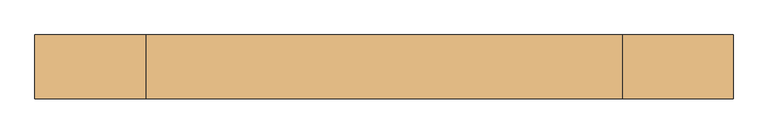
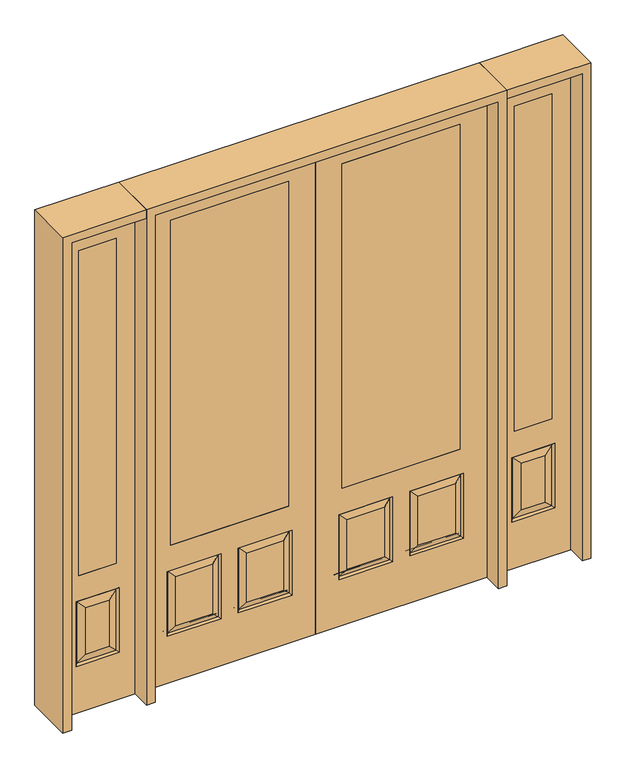
"""IFC4 building model written with IfcOpenShell, lengths in millimetres: door geometry."""

from ifc_helpers import new_model, si_unit, frame, origin, place, context, project, spatial, polyline, outline, extrude, faceted_brep, source, transform, mapped, element, save


def door_6869688c(model_context):
    return source(origin(), model_context, "Body", "SolidModel", [
        extrude(outline(polyline([(1120.775, 20.6375), (1120.775, -20.6375), (942.975, -20.6375), (942.975, 20.6375), (1120.775, 20.6375)])), frame((0.0, 0.0, 685.8), z_axis=(0.0, 0.0, 1.0), x_axis=(1.0, 0.0, 0.0)), (0.0, 0.0, 1.0), 1625.6),
        faceted_brep([(854.075, -20.6375, 0.0), (1209.675, -20.6375, 0.0), (1209.675, -20.6375, 2438.4), (854.075, -20.6375, 2438.4), (942.975, -20.6375, 685.8), (942.975, -20.6375, 2311.4), (1120.775, -20.6375, 2311.4), (1120.775, -20.6375, 685.8), (930.275, -20.6375, 234.95), (930.275, -20.6375, 558.8), (1133.475, -20.6375, 558.8), (1133.475, -20.6375, 234.95), (1087.4375, -20.6375, 280.9875), (1087.4375, -20.6375, 512.7625), (976.3125, -20.6375, 512.7625), (976.3125, -20.6375, 280.9875), (1120.775, 20.6375, 2311.4), (1120.775, 20.6375, 685.8), (854.075, 20.6375, 0.0), (854.075, 20.6375, 2438.4), (1209.675, 20.6375, 2438.4), (1209.675, 20.6375, 0.0), (1133.475, 20.6375, 234.95), (1133.475, 20.6375, 558.8), (930.275, 20.6375, 558.8), (930.275, 20.6375, 234.95), (942.975, 20.6375, 2311.4), (942.975, 20.6375, 685.8), (976.3125, 20.6375, 280.9875), (976.3125, 20.6375, 512.7625), (1087.4375, 20.6375, 512.7625), (1087.4375, 20.6375, 280.9875), (939.2552561, -11.6572439, 549.8197439), (1124.4947439, -11.6572439, 549.8197439), (1124.4947439, 11.6572439, 243.9302561), (939.2552561, 11.6572439, 243.9302561), (939.2552561, 11.6572439, 549.8197439), (1124.4947439, 11.6572439, 549.8197439), (1124.4947439, -11.6572439, 243.9302561), (939.2552561, -11.6572439, 243.9302561)], [[[0, 1, 2, 3], [4, 5, 6, 7], [8, 9, 10, 11]], [[12, 13, 14, 15]], [[7, 6, 16, 17]], [[18, 19, 20, 21], [22, 23, 24, 25], [17, 16, 26, 27]], [[28, 29, 30, 31]], [[32, 33, 10, 9]], [[21, 1, 0, 18]], [[20, 2, 1, 21]], [[18, 0, 3, 19]], [[34, 22, 25, 35]], [[25, 24, 36, 35]], [[24, 23, 37, 36]], [[34, 37, 23, 22]], [[35, 28, 31, 34]], [[31, 30, 37, 34]], [[36, 37, 30, 29]], [[35, 36, 29, 28]], [[17, 27, 4, 7]], [[27, 26, 5, 4]], [[8, 11, 38, 39]], [[11, 10, 33, 38]], [[39, 32, 9, 8]], [[38, 12, 15, 39]], [[15, 14, 32, 39]], [[14, 13, 33, 32]], [[38, 33, 13, 12]], [[19, 3, 2, 20]], [[6, 5, 26, 16]]]),
        extrude(outline(polyline([(-942.975, 20.6375), (-942.975, -20.6375), (-1120.775, -20.6375), (-1120.775, 20.6375), (-942.975, 20.6375)])), frame((0.0, 0.0, 685.8), z_axis=(0.0, 0.0, 1.0), x_axis=(1.0, 0.0, 0.0)), (0.0, 0.0, 1.0), 1625.6),
        faceted_brep([(-1209.675, -20.6375, 0.0), (-854.075, -20.6375, 0.0), (-854.075, -20.6375, 2438.4), (-1209.675, -20.6375, 2438.4), (-1120.775, -20.6375, 685.8), (-1120.775, -20.6375, 2311.4), (-942.975, -20.6375, 2311.4), (-942.975, -20.6375, 685.8), (-1133.475, -20.6375, 234.95), (-1133.475, -20.6375, 558.8), (-930.275, -20.6375, 558.8), (-930.275, -20.6375, 234.95), (-976.3125, -20.6375, 280.9875), (-976.3125, -20.6375, 512.7625), (-1087.4375, -20.6375, 512.7625), (-1087.4375, -20.6375, 280.9875), (-942.975, 20.6375, 2311.4), (-942.975, 20.6375, 685.8), (-1209.675, 20.6375, 0.0), (-1209.675, 20.6375, 2438.4), (-854.075, 20.6375, 2438.4), (-854.075, 20.6375, 0.0), (-930.275, 20.6375, 234.95), (-930.275, 20.6375, 558.8), (-1133.475, 20.6375, 558.8), (-1133.475, 20.6375, 234.95), (-1120.775, 20.6375, 2311.4), (-1120.775, 20.6375, 685.8), (-1087.4375, 20.6375, 280.9875), (-1087.4375, 20.6375, 512.7625), (-976.3125, 20.6375, 512.7625), (-976.3125, 20.6375, 280.9875), (-1124.4947439, -11.6572439, 549.8197439), (-939.2552561, -11.6572439, 549.8197439), (-939.2552561, 11.6572439, 243.9302561), (-1124.4947439, 11.6572439, 243.9302561), (-1124.4947439, 11.6572439, 549.8197439), (-939.2552561, 11.6572439, 549.8197439), (-939.2552561, -11.6572439, 243.9302561), (-1124.4947439, -11.6572439, 243.9302561)], [[[0, 1, 2, 3], [4, 5, 6, 7], [8, 9, 10, 11]], [[12, 13, 14, 15]], [[7, 6, 16, 17]], [[18, 19, 20, 21], [22, 23, 24, 25], [17, 16, 26, 27]], [[28, 29, 30, 31]], [[32, 33, 10, 9]], [[21, 1, 0, 18]], [[20, 2, 1, 21]], [[18, 0, 3, 19]], [[34, 22, 25, 35]], [[25, 24, 36, 35]], [[24, 23, 37, 36]], [[34, 37, 23, 22]], [[35, 28, 31, 34]], [[31, 30, 37, 34]], [[36, 37, 30, 29]], [[35, 36, 29, 28]], [[17, 27, 4, 7]], [[27, 26, 5, 4]], [[8, 11, 38, 39]], [[11, 10, 33, 38]], [[39, 32, 9, 8]], [[38, 12, 15, 39]], [[15, 14, 32, 39]], [[14, 13, 33, 32]], [[38, 33, 13, 12]], [[19, 3, 2, 20]], [[6, 5, 26, 16]]]),
        faceted_brep([(127.0, -20.6375, 685.8), (127.0, 20.6375, 685.8), (127.0, 20.6375, 2311.4), (127.0, -20.6375, 2311.4), (685.8, -20.6375, 685.8), (685.8, 20.6375, 685.8), (486.5727627, -20.6375, 273.8477627), (662.7772373, -20.6375, 273.8477627), (662.7772373, -20.6375, 520.4102373), (486.5727627, -20.6375, 520.4102373), (150.0227627, -20.6375, 273.8477627), (326.2272373, -20.6375, 273.8477627), (326.2272373, -20.6375, 520.4102373), (150.0227627, -20.6375, 520.4102373), (812.8, -20.6375, 2438.4), (0.0, -20.6375, 2438.4), (0.0, -20.6375, 0.0), (812.8, -20.6375, 0.0), (685.8, -20.6375, 2311.4), (701.675, -20.6375, 234.95), (447.675, -20.6375, 234.95), (447.675, -20.6375, 559.308), (701.675, -20.6375, 559.308), (365.125, -20.6375, 234.95), (111.125, -20.6375, 234.95), (111.125, -20.6375, 559.308), (365.125, -20.6375, 559.308), (685.8, 20.6375, 2311.4), (326.2272373, 20.6375, 273.8477627), (150.0227627, 20.6375, 273.8477627), (150.0227627, 20.6375, 520.4102373), (326.2272373, 20.6375, 520.4102373), (662.7772373, 20.6375, 273.8477627), (486.5727627, 20.6375, 273.8477627), (486.5727627, 20.6375, 520.4102373), (662.7772373, 20.6375, 520.4102373), (0.0, 20.6375, 2438.4), (812.8, 20.6375, 2438.4), (812.8, 20.6375, 0.0), (0.0, 20.6375, 0.0), (111.125, 20.6375, 234.95), (365.125, 20.6375, 234.95), (365.125, 20.6375, 559.308), (111.125, 20.6375, 559.308), (447.675, 20.6375, 234.95), (701.675, 20.6375, 234.95), (701.675, 20.6375, 559.308), (447.675, 20.6375, 559.308), (694.2714647, -11.4399763, 242.3535353), (455.0785353, -11.4399763, 242.3535353), (455.0785353, -11.4399763, 551.9044647), (694.2714647, -11.4399763, 551.9044647), (357.7214647, -11.4399763, 242.3535353), (118.5285353, -11.4399763, 242.3535353), (118.5285353, -11.4399763, 551.9044647), (357.7214647, -11.4399763, 551.9044647), (118.5285353, 11.4399763, 242.3535353), (357.7214647, 11.4399763, 242.3535353), (357.7214647, 11.4399763, 551.9044647), (118.5285353, 11.4399763, 551.9044647), (455.0785353, 11.4399763, 242.3535353), (694.2714647, 11.4399763, 242.3535353), (694.2714647, 11.4399763, 551.9044647), (455.0785353, 11.4399763, 551.9044647)], [[[0, 1, 2, 3]], [[1, 0, 4, 5]], [[6, 7, 8, 9]], [[10, 11, 12, 13]], [[14, 15, 16, 17], [4, 0, 3, 18], [19, 20, 21, 22], [23, 24, 25, 26]], [[5, 4, 18, 27]], [[28, 29, 30, 31]], [[32, 33, 34, 35]], [[36, 37, 38, 39], [1, 5, 27, 2], [40, 41, 42, 43], [44, 45, 46, 47]], [[39, 38, 17, 16]], [[37, 14, 17, 38]], [[15, 36, 39, 16]], [[19, 48, 49, 20]], [[20, 49, 50, 21]], [[51, 22, 21, 50]], [[48, 19, 22, 51]], [[49, 48, 7, 6]], [[7, 48, 51, 8]], [[8, 51, 50, 9]], [[49, 6, 9, 50]], [[52, 53, 24, 23]], [[24, 53, 54, 25]], [[25, 54, 55, 26]], [[52, 23, 26, 55]], [[53, 52, 11, 10]], [[11, 52, 55, 12]], [[54, 13, 12, 55]], [[53, 10, 13, 54]], [[40, 56, 57, 41]], [[41, 57, 58, 42]], [[59, 43, 42, 58]], [[56, 40, 43, 59]], [[57, 56, 29, 28]], [[29, 56, 59, 30]], [[30, 59, 58, 31]], [[57, 28, 31, 58]], [[60, 61, 45, 44]], [[45, 61, 62, 46]], [[46, 62, 63, 47]], [[60, 44, 47, 63]], [[61, 60, 33, 32]], [[33, 60, 63, 34]], [[62, 35, 34, 63]], [[61, 32, 35, 62]], [[3, 2, 27, 18]], [[36, 15, 14, 37]]]),
        extrude(outline(polyline([(127.0, 20.6375), (685.8, 20.6375), (685.8, -20.6375), (127.0, -20.6375), (127.0, 20.6375)])), frame((0.0, 0.0, 685.8), z_axis=(0.0, 0.0, 1.0), x_axis=(1.0, 0.0, 0.0)), (0.0, 0.0, 1.0), 1625.6),
        faceted_brep([(-127.0, -20.6375, 685.8), (-127.0, -20.6375, 2311.4), (-127.0, 20.6375, 2311.4), (-127.0, 20.6375, 685.8), (-685.8, 20.6375, 685.8), (-685.8, -20.6375, 685.8), (-486.5727627, -20.6375, 273.8477627), (-486.5727627, -20.6375, 520.4102373), (-662.7772373, -20.6375, 520.4102373), (-662.7772373, -20.6375, 273.8477627), (-150.0227627, -20.6375, 273.8477627), (-150.0227627, -20.6375, 520.4102373), (-326.2272373, -20.6375, 520.4102373), (-326.2272373, -20.6375, 273.8477627), (-812.8, -20.6375, 2438.4), (-812.8, -20.6375, 0.0), (0.0, -20.6375, 0.0), (0.0, -20.6375, 2438.4), (-685.8, -20.6375, 2311.4), (-701.675, -20.6375, 234.95), (-701.675, -20.6375, 559.308), (-447.675, -20.6375, 559.308), (-447.675, -20.6375, 234.95), (-365.125, -20.6375, 234.95), (-365.125, -20.6375, 559.308), (-111.125, -20.6375, 559.308), (-111.125, -20.6375, 234.95), (-685.8, 20.6375, 2311.4), (-326.2272373, 20.6375, 273.8477627), (-326.2272373, 20.6375, 520.4102373), (-150.0227627, 20.6375, 520.4102373), (-150.0227627, 20.6375, 273.8477627), (-662.7772373, 20.6375, 273.8477627), (-662.7772373, 20.6375, 520.4102373), (-486.5727627, 20.6375, 520.4102373), (-486.5727627, 20.6375, 273.8477627), (0.0, 20.6375, 2438.4), (0.0, 20.6375, 0.0), (-812.8, 20.6375, 0.0), (-812.8, 20.6375, 2438.4), (-111.125, 20.6375, 234.95), (-111.125, 20.6375, 559.308), (-365.125, 20.6375, 559.308), (-365.125, 20.6375, 234.95), (-447.675, 20.6375, 234.95), (-447.675, 20.6375, 559.308), (-701.675, 20.6375, 559.308), (-701.675, 20.6375, 234.95), (-455.0785353, -11.4399763, 242.3535353), (-694.2714647, -11.4399763, 242.3535353), (-455.0785353, -11.4399763, 551.9044647), (-694.2714647, -11.4399763, 551.9044647), (-357.7214647, -11.4399763, 242.3535353), (-118.5285353, -11.4399763, 242.3535353), (-118.5285353, -11.4399763, 551.9044647), (-357.7214647, -11.4399763, 551.9044647), (-357.7214647, 11.4399763, 242.3535353), (-118.5285353, 11.4399763, 242.3535353), (-357.7214647, 11.4399763, 551.9044647), (-118.5285353, 11.4399763, 551.9044647), (-455.0785353, 11.4399763, 242.3535353), (-694.2714647, 11.4399763, 242.3535353), (-694.2714647, 11.4399763, 551.9044647), (-455.0785353, 11.4399763, 551.9044647)], [[[0, 1, 2, 3]], [[3, 4, 5, 0]], [[6, 7, 8, 9]], [[10, 11, 12, 13]], [[14, 15, 16, 17], [5, 18, 1, 0], [19, 20, 21, 22], [23, 24, 25, 26]], [[4, 27, 18, 5]], [[28, 29, 30, 31]], [[32, 33, 34, 35]], [[36, 37, 38, 39], [3, 2, 27, 4], [40, 41, 42, 43], [44, 45, 46, 47]], [[37, 16, 15, 38]], [[39, 38, 15, 14]], [[17, 16, 37, 36]], [[19, 22, 48, 49]], [[22, 21, 50, 48]], [[51, 50, 21, 20]], [[49, 51, 20, 19]], [[48, 6, 9, 49]], [[9, 8, 51, 49]], [[8, 7, 50, 51]], [[48, 50, 7, 6]], [[52, 23, 26, 53]], [[26, 25, 54, 53]], [[25, 24, 55, 54]], [[52, 55, 24, 23]], [[53, 10, 13, 52]], [[13, 12, 55, 52]], [[54, 55, 12, 11]], [[53, 54, 11, 10]], [[40, 43, 56, 57]], [[43, 42, 58, 56]], [[59, 58, 42, 41]], [[57, 59, 41, 40]], [[56, 28, 31, 57]], [[31, 30, 59, 57]], [[30, 29, 58, 59]], [[56, 58, 29, 28]], [[60, 44, 47, 61]], [[47, 46, 62, 61]], [[46, 45, 63, 62]], [[60, 63, 45, 44]], [[61, 32, 35, 60]], [[35, 34, 63, 60]], [[62, 63, 34, 33]], [[61, 62, 33, 32]], [[1, 18, 27, 2]], [[36, 39, 14, 17]]]),
        extrude(outline(polyline([(-127.0, 20.6375), (-127.0, -20.6375), (-685.8, -20.6375), (-685.8, 20.6375), (-127.0, 20.6375)])), frame((0.0, 0.0, 685.8), z_axis=(0.0, 0.0, 1.0), x_axis=(1.0, 0.0, 0.0)), (0.0, 0.0, 1.0), 1625.6),
        extrude(outline(polyline([(2479.675, -854.075), (2479.675, -1250.95), (0.0, -1250.95), (0.0, -1209.675), (2438.4, -1209.675), (2438.4, -854.075), (2479.675, -854.075)])), frame((0.0, -114.3, 0.0), z_axis=(0.0, 1.0, 0.0), x_axis=(0.0, 0.0, 1.0)), (0.0, 0.0, 1.0), 228.6),
        extrude(outline(polyline([(2479.675, -854.075), (0.0, -854.075), (0.0, -812.8), (2438.4, -812.8), (2438.4, 812.8), (0.0, 812.8), (0.0, 854.075), (2479.675, 854.075), (2479.675, -854.075)])), frame((0.0, -114.3, 0.0), z_axis=(0.0, 1.0, 0.0), x_axis=(0.0, 0.0, 1.0)), (0.0, 0.0, 1.0), 228.6),
        extrude(outline(polyline([(0.0, 1250.95), (2479.675, 1250.95), (2479.675, 854.075), (2438.4, 854.075), (2438.4, 1209.675), (0.0, 1209.675), (0.0, 1250.95)])), frame((0.0, -114.3, 0.0), z_axis=(0.0, 1.0, 0.0), x_axis=(0.0, 0.0, 1.0)), (0.0, 0.0, 1.0), 228.6),
    ])


if __name__ == "__main__":
    model = new_model("IFC4")
    model_context = context("Model", 3, world=origin())
    ifc_project = project(units=[si_unit("LENGTHUNIT", "METRE", prefix="MILLI")], contexts=[model_context])
    site = spatial("IfcSite", under=ifc_project)
    building = spatial("IfcBuilding", under=site)
    placement = place(None, origin())
    door_shape = door_6869688c(model_context)
    element("IfcDoor", 1, at=placement, inside=building, context=model_context, shape_type="MappedRepresentation", body=[
        mapped(door_shape, transform((0.0, 0.0, 0.0), x_axis=(1.0, 0.0, 0.0), y_axis=(0.0, 1.0, 0.0), z_axis=(0.0, 0.0, 1.0))),
    ])
    save(model, "model.ifc")
